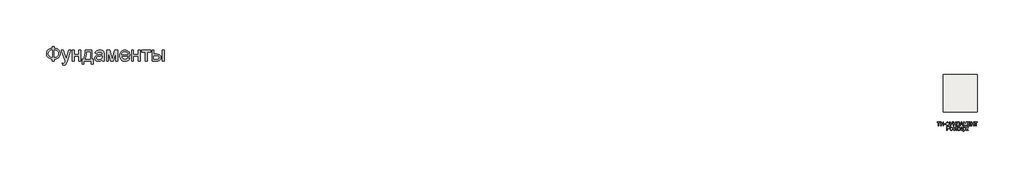
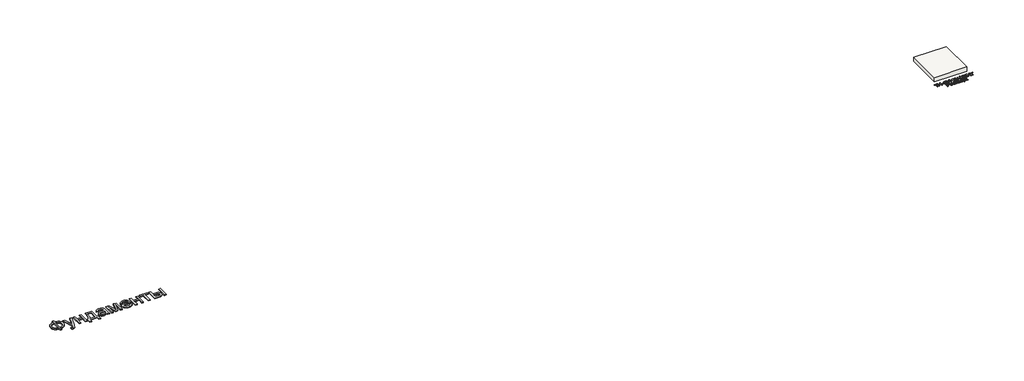
# One storey: 2 proxies, 1 slab.
"""IFC4 building model written with IfcOpenShell, lengths in millimetres."""

from ifc_helpers import new_model, si_unit, frame, origin, origin_with_axes, place, context, project, spatial, polyline, outline, extrude, element, save

model = new_model("IFC4")

# Units and contexts
model_context = context("Model", 3, world=origin())
ifc_project = project(units=[si_unit("LENGTHUNIT", "METRE", prefix="MILLI")], contexts=[model_context])

# Site, building, storey
site = spatial("IfcSite", under=ifc_project)
building = spatial("IfcBuilding", under=site)
storey = spatial("IfcBuildingStorey", under=building, Elevation=0.0)

# Proxies
placement = place(None, origin())
element("IfcBuildingElementProxy", 1, Name="Generic Models", at=placement, inside=storey, context=model_context, shape_type="SweptSolid", body=[
    extrude(outline(polyline([(-1939.8736325, -26885.7211043), (-1939.8736325, -26787.7817103), (-1841.9342386, -26787.7817103), (-1841.9342386, -26885.7211043), (-1772.0723186, -26894.3529698), (-1709.9695132, -26912.2144755), (-1655.6258224, -26939.3056213), (-1609.0412461, -26975.6264073), (-1571.6743546, -27019.0607113), (-1544.9837177, -27067.4924111), (-1528.9693356, -27120.9215067), (-1523.6312083, -27179.3479982), (-1528.8019587, -27236.6028514), (-1544.3142102, -27289.3863505), (-1570.1679625, -27337.6984954), (-1606.3632158, -27381.5392861), (-1628.1416397, -27401.1761824), (-1652.1109076, -27418.4817577), (-1706.6219753, -27446.0989452), (-1769.896419, -27464.3908486), (-1841.9342386, -27473.3574679), (-1841.9342386, -27571.2968619), (-1939.8736325, -27571.2968619), (-1939.8736325, -27473.3574679), (-2005.3060425, -27466.0586398), (-2065.0237272, -27449.518216), (-2119.0266865, -27423.7361966), (-2167.3149204, -27388.7125816), (-2207.0669327, -27345.8939854), (-2222.6837947, -27322.10405), (-2235.4612272, -27296.7270228), (-2245.3992303, -27269.7629041), (-2252.4978039, -27241.2116938), (-2258.1766628, -27179.3479982), (-2252.5157371, -27117.2033486), (-2245.4395801, -27088.5878775), (-2235.5329602, -27061.6103088), (-2222.7958774, -27036.2706426), (-2207.2283318, -27012.5688789), (-2188.8303234, -26990.5050176), (-2167.6018522, -26970.0790588), (-2119.4032845, -26935.3961753), (-2065.382392, -26909.775555), (-2005.5391746, -26893.217198), (-1939.8736325, -26885.7211043)]), holes=[polyline([(-1841.9342386, -26983.6604982), (-1841.9342386, -27375.418074), (-1793.3949393, -27370.2234125), (-1750.3073446, -27359.2303372), (-1712.6714545, -27342.4388481), (-1680.4872689, -27319.8489452), (-1654.7112272, -27291.9627591), (-1636.2997689, -27259.2824206), (-1625.2528939, -27221.8079296), (-1621.5706022, -27179.5392861), (-1625.1871387, -27137.922217), (-1636.036748, -27100.872146), (-1654.1194303, -27068.389073), (-1679.4351855, -27040.4729982), (-1711.2905951, -27017.6977852), (-1748.9922405, -27000.6372975), (-1792.5401216, -26989.2915352), (-1841.9342386, -26983.6604982)]), polyline([(-1939.8736325, -26983.6604982), (-1986.781007, -26988.5861611), (-2028.989873, -26999.3461043), (-2066.5002305, -27015.9403278), (-2099.3120795, -27038.3688316), (-2125.9668498, -27066.2012179), (-2145.0059715, -27099.0070891), (-2156.4294445, -27136.7864452), (-2160.2372689, -27179.5392861), (-2156.4772665, -27221.9035735), (-2145.1972594, -27259.4737085), (-2126.3972476, -27292.2496909), (-2100.077231, -27320.231521), (-2067.5044919, -27342.8692459), (-2029.9463124, -27359.612913), (-1987.4026926, -27370.4625224), (-1939.8736325, -27375.418074), (-1939.8736325, -26983.6604982)])]), origin_with_axes(), (0.0, 0.0, 1.0), 40.0),
    extrude(outline(polyline([(-1401.2069658, -27791.6604982), (-1413.4493901, -27697.355574), (-1386.764731, -27703.8115399), (-1363.7145416, -27705.9635285), (-1337.5559242, -27703.2615872), (-1317.2315871, -27695.1557634), (-1301.4025151, -27682.2199206), (-1288.7296931, -27665.0279225), (-1261.9493901, -27592.9123922), (-1254.2978749, -27569.1926952), (-1462.4190871, -26995.9029225), (-1359.1236325, -26995.9029225), (-1248.7505264, -27315.35368), (-1210.3016628, -27443.1339831), (-1171.8527992, -27330.2741346), (-1058.4190871, -26995.9029225), (-955.888784, -26995.9029225), (-1156.1671931, -27585.0695891), (-1185.9124583, -27663.4019755), (-1208.1974961, -27712.8498922), (-1234.8343333, -27753.6420323), (-1265.0099961, -27781.9048164), (-1300.0634999, -27798.403396), (-1341.3338598, -27803.9029225), (-1369.6922878, -27800.8423164), (-1401.2069658, -27791.6604982)])), origin_with_axes(), (0.0, 0.0, 1.0), 40.0),
    extrude(outline(polyline([(-874.7827234, -26995.9029225), (-776.8433295, -26995.9029225), (-776.8433295, -27216.2665588), (-519.7524204, -27216.2665588), (-519.7524204, -26995.9029225), (-421.8130264, -26995.9029225), (-421.8130264, -27571.2968619), (-519.7524204, -27571.2968619), (-519.7524204, -27314.2059528), (-776.8433295, -27314.2059528), (-776.8433295, -27571.2968619), (-874.7827234, -27571.2968619), (-874.7827234, -26995.9029225)])), origin_with_axes(), (0.0, 0.0, 1.0), 40.0),
    extrude(outline(polyline([(-189.2069658, -26995.9029225), (178.0657614, -26995.9029225), (178.0657614, -27473.3574679), (251.5203069, -27473.3574679), (251.5203069, -27730.448377), (153.5809129, -27730.448377), (153.5809129, -27571.2968619), (-250.4190871, -27571.2968619), (-250.4190871, -27730.448377), (-348.358481, -27730.448377), (-348.358481, -27473.3574679), (-287.1463598, -27473.3574679), (-263.2293972, -27436.3970631), (-242.648017, -27392.9448259), (-225.4022192, -27343.0007563), (-211.4920037, -27286.5648543), (-200.9173707, -27223.6371199), (-193.67832, -27154.2175531), (-189.7748517, -27078.306154), (-189.2069658, -26995.9029225)]), holes=[polyline([(-103.5099961, -27093.8423164), (-111.5440871, -27213.7559054), (-126.4645416, -27316.979627), (-148.2713598, -27403.5134812), (-161.7571552, -27440.521708), (-176.9645416, -27473.3574679), (80.1263675, -27473.3574679), (80.1263675, -27093.8423164), (-103.5099961, -27093.8423164)])]), origin_with_axes(), (0.0, 0.0, 1.0), 40.0),
    extrude(outline(polyline([(728.9748523, -27497.8423164), (682.181055, -27537.964949), (658.2640924, -27552.8256261), (634.0004205, -27564.2192103), (583.3330436, -27578.7092672), (529.079019, -27583.5392861), (485.4713604, -27580.6341014), (447.2317179, -27571.9185475), (414.3600914, -27557.3926242), (386.8564811, -27537.0563316), (365.1393291, -27512.2008628), (349.6270777, -27484.1174111), (340.3197269, -27452.8059764), (337.2172766, -27418.2665588), (341.9038296, -27377.6657066), (355.9634887, -27340.7949679), (377.650752, -27309.2324679), (405.2201175, -27284.5563316), (437.619502, -27265.9057634), (473.796822, -27252.4199679), (558.5373523, -27237.6908013), (658.6765569, -27222.1964831), (728.4009887, -27204.0241346), (728.9748523, -27182.2173164), (727.2891279, -27158.4737085), (722.2319546, -27138.5080361), (713.8033325, -27122.3202994), (702.0032614, -27109.9104982), (681.6071914, -27097.5246081), (656.7636781, -27088.6775437), (627.4727217, -27083.369305), (593.734322, -27081.5998922), (535.391519, -27086.3103562), (512.8195493, -27092.1984362), (494.6472008, -27100.4417482), (479.7147908, -27111.6858888), (466.8626364, -27126.5764547), (456.0907378, -27145.1134457), (447.3990948, -27167.2968619), (349.4597008, -27155.0544376), (366.4604111, -27101.4938316), (378.0990829, -27079.0175058), (391.829966, -27059.4104982), (408.2448571, -27042.2782776), (427.9355531, -27027.2263126), (450.902054, -27014.2546033), (477.1443599, -27003.3631497), (537.3283088, -26988.5861611), (606.359322, -26983.6604982), (672.5688391, -26988.0122975), (725.0534508, -27001.0676952), (764.6261307, -27020.6986138), (792.0998523, -27044.7769755), (810.3200228, -27074.5461516), (822.1320493, -27111.2495134), (825.718697, -27145.1074679), (826.9142463, -27196.9464831), (826.9142463, -27318.7968619), (828.1576175, -27424.9377236), (831.8877311, -27488.94743), (839.2523145, -27531.0068524), (851.3990948, -27571.2968619), (753.4597008, -27571.2968619), (737.7740948, -27537.2476194), (728.9748523, -27497.8423164)]), holes=[polyline([(728.9748523, -27301.9635285), (663.171822, -27318.2708202), (570.9710645, -27331.9957255), (520.1602217, -27339.5037747), (486.7087539, -27347.8726194), (464.7823807, -27358.7282066), (448.546822, -27373.6964831), (438.5042084, -27391.6297217), (435.1566705, -27411.3801952), (436.9798831, -27426.599537), (442.4495209, -27440.5037747), (451.5655839, -27453.0929083), (464.328072, -27464.3669376), (480.6174305, -27473.6563552), (500.3141042, -27480.2916535), (549.9293978, -27485.5998922), (602.5335645, -27479.7417009), (626.5401932, -27472.4189618), (649.016519, -27462.167127), (686.7002311, -27436.2715304), (712.9066705, -27405.450271), (724.5274092, -27373.6964831), (728.4009887, -27329.700271), (728.9748523, -27301.9635285)])]), origin_with_axes(), (0.0, 0.0, 1.0), 40.0),
    extrude(outline(polyline([(961.5809129, -26995.9029225), (1130.1055342, -26995.9029225), (1259.9900039, -27456.5241346), (1400.0127311, -26995.9029225), (1561.4597008, -26995.9029225), (1561.4597008, -27571.2968619), (1463.5203069, -27571.2968619), (1463.5203069, -27107.9976194), (1322.7324281, -27571.2968619), (1194.1869736, -27571.2968619), (1059.5203069, -27085.8082255), (1059.5203069, -27571.2968619), (961.5809129, -27571.2968619), (961.5809129, -26995.9029225)])), origin_with_axes(), (0.0, 0.0, 1.0), 40.0),
    extrude(outline(polyline([(2111.2210645, -27399.9029225), (2207.2475796, -27412.1453467), (2192.5243907, -27450.6061658), (2172.6483845, -27484.4999869), (2147.6195611, -27513.8268098), (2117.4379205, -27538.5866346), (2082.4143055, -27558.2534196), (2042.8595588, -27572.3011232), (1998.7736805, -27580.7297454), (1950.1566705, -27583.5392861), (1889.3869025, -27578.6913339), (1835.2404773, -27564.1474774), (1787.717395, -27539.9077165), (1746.8176554, -27505.9720513), (1713.9280957, -27463.2849656), (1690.4355531, -27412.7909433), (1676.3400275, -27354.4899845), (1671.641519, -27288.3820891), (1676.3878495, -27220.0325389), (1690.626841, -27159.7888126), (1714.3584934, -27107.6509102), (1747.5828069, -27063.6188316), (1788.374947, -27028.6370607), (1834.8100796, -27003.6500816), (1886.8882046, -26988.6578941), (1944.609322, -26983.6604982), (2000.4713604, -26988.6459386), (2050.9892936, -27003.6022596), (2096.1631218, -27028.5294613), (2135.9928448, -27063.4275437), (2168.5058064, -27107.3639783), (2191.7293504, -27159.4062369), (2205.6634769, -27219.5543192), (2210.3081857, -27287.8082255), (2209.734322, -27314.2059528), (1769.5809129, -27314.2059528), (1775.2537941, -27353.2884575), (1786.5338012, -27387.5170323), (1803.4209343, -27416.8916772), (1825.9151932, -27441.4123922), (1852.773207, -27460.7444234), (1882.7516042, -27474.5530172), (1915.850385, -27482.8381734), (1952.0695493, -27485.5998922), (2004.1954963, -27480.4829414), (2048.0960645, -27465.1320891), (2066.9618315, -27453.3798401), (2083.7712539, -27438.590896), (2098.5243315, -27420.7652567), (2111.2210645, -27399.9029225)]), holes=[polyline([(1769.5809129, -27216.2665588), (2112.3687917, -27216.2665588), (2107.3355294, -27188.5537274), (2099.1221061, -27164.5231876), (2087.7285218, -27144.1749395), (2073.1547766, -27127.5089831), (2046.4462065, -27107.4237558), (2016.0553448, -27093.0771649), (1981.9821914, -27084.4692103), (1944.2267463, -27081.5998922), (1909.7889504, -27083.889369), (1878.2085171, -27090.7577994), (1849.4854466, -27102.2051834), (1823.6197387, -27118.231521), (1801.9145422, -27138.0955716), (1785.6730057, -27161.0560948), (1774.8951293, -27187.1130906), (1769.5809129, -27216.2665588)])]), origin_with_axes(), (0.0, 0.0, 1.0), 40.0),
    extrude(outline(polyline([(2308.2475796, -26995.9029225), (2406.1869736, -26995.9029225), (2406.1869736, -27216.2665588), (2663.2778826, -27216.2665588), (2663.2778826, -26995.9029225), (2761.2172766, -26995.9029225), (2761.2172766, -27571.2968619), (2663.2778826, -27571.2968619), (2663.2778826, -27314.2059528), (2406.1869736, -27314.2059528), (2406.1869736, -27571.2968619), (2308.2475796, -27571.2968619), (2308.2475796, -26995.9029225)])), origin_with_axes(), (0.0, 0.0, 1.0), 40.0),
    extrude(outline(polyline([(2859.1566705, -26995.9029225), (3324.3687917, -26995.9029225), (3324.3687917, -27093.8423164), (3140.7324281, -27093.8423164), (3140.7324281, -27571.2968619), (3042.7930342, -27571.2968619), (3042.7930342, -27093.8423164), (2859.1566705, -27093.8423164), (2859.1566705, -26995.9029225)])), origin_with_axes(), (0.0, 0.0, 1.0), 40.0),
    extrude(outline(polyline([(3948.7324281, -26995.9029225), (4046.671822, -26995.9029225), (4046.671822, -27571.2968619), (3948.7324281, -27571.2968619), (3948.7324281, -26995.9029225)])), origin_with_axes(), (0.0, 0.0, 1.0), 40.0),
    extrude(outline(polyline([(3410.0657614, -26995.9029225), (3508.0051554, -26995.9029225), (3508.0051554, -27204.0241346), (3629.0903826, -27204.0241346), (3684.8089551, -27207.0907184), (3733.7487633, -27216.2904698), (3775.9098074, -27231.6233888), (3811.2920872, -27253.0894755), (3839.2858727, -27279.9474892), (3859.2814338, -27311.4561895), (3871.2787704, -27347.6155763), (3875.2778826, -27388.4256497), (3871.924367, -27424.8361019), (3861.8638201, -27458.5087463), (3845.096242, -27489.443583), (3821.6216326, -27517.6406119), (3790.7824399, -27541.1152212), (3751.9211118, -27557.8827994), (3705.0376483, -27567.9433462), (3650.1320493, -27571.2968619), (3410.0657614, -27571.2968619), (3410.0657614, -26995.9029225)]), holes=[polyline([(3508.0051554, -27473.3574679), (3608.6225796, -27473.3574679), (3686.6202122, -27468.2166062), (3715.8274802, -27461.790529), (3738.5070493, -27452.794021), (3755.495804, -27441.0716606), (3767.6306289, -27426.4680266), (3774.9115237, -27408.983119), (3777.3384887, -27388.6169376), (3775.5391871, -27372.1542245), (3770.1412823, -27356.6240399), (3761.1447742, -27342.0263836), (3748.5496629, -27328.3612558), (3729.8094286, -27316.8122501), (3702.3775512, -27308.5629603), (3666.2540308, -27303.6133865), (3621.4388675, -27301.9635285), (3508.0051554, -27301.9635285), (3508.0051554, -27473.3574679)])]), origin_with_axes(), (0.0, 0.0, 1.0), 40.0),
])
element("IfcBuildingElementProxy", 2, Name="Generic Models", at=placement, inside=storey, context=model_context, shape_type="SweptSolid", body=[
    extrude(outline(polyline([(45610.9854324, -31054.563168), (45610.9854324, -30882.2554756), (45546.3700478, -30882.2554756), (45546.3700478, -30857.640091), (45700.2162017, -30857.640091), (45700.2162017, -30882.2554756), (45635.6008171, -30882.2554756), (45635.6008171, -31054.563168), (45610.9854324, -31054.563168)])), origin_with_axes(), (0.0, 0.0, 1.0), 20.0),
    extrude(outline(polyline([(45727.9085094, -31054.563168), (45727.9085094, -30857.640091), (45752.523894, -30857.640091), (45752.523894, -30937.640091), (45857.1392786, -30937.640091), (45857.1392786, -30857.640091), (45881.7546632, -30857.640091), (45881.7546632, -31054.563168), (45857.1392786, -31054.563168), (45857.1392786, -30962.2554756), (45752.523894, -30962.2554756), (45752.523894, -31054.563168), (45727.9085094, -31054.563168)])), origin_with_axes(), (0.0, 0.0, 1.0), 20.0),
    extrude(outline(polyline([(45909.4469709, -30996.1016295), (45909.4469709, -30971.4862449), (45986.3700478, -30971.4862449), (45986.3700478, -30996.1016295), (45909.4469709, -30996.1016295)])), origin_with_axes(), (0.0, 0.0, 1.0), 20.0),
    extrude(outline(polyline([(46087.9085094, -30882.2554756), (46087.9085094, -30857.640091), (46112.523894, -30857.640091), (46112.523894, -30882.2554756), (46145.6909613, -30888.9141295), (46171.0575478, -30904.8516295), (46187.1573074, -30927.9405718), (46192.523894, -30956.0535526), (46187.3255767, -30983.7098026), (46171.7306248, -31006.8708603), (46146.5323074, -31023.0968218), (46112.523894, -31029.9477833), (46112.523894, -31054.563168), (46087.9085094, -31054.563168), (46087.9085094, -31029.9477833), (46056.4541824, -31023.9561968), (46030.7450478, -31008.6737449), (46020.7540623, -30997.9120261), (46013.617644, -30985.5547545), (46007.9085094, -30956.0535526), (46013.5996151, -30926.4622064), (46020.7134973, -30914.1364853), (46030.6729324, -30903.4573987), (46056.3640382, -30888.3011487), (46087.9085094, -30882.2554756)]), holes=[polyline([(46087.9085094, -30906.8708603), (46065.5106728, -30910.813168), (46047.836394, -30920.6208603), (46036.352019, -30935.8612449), (46032.523894, -30956.1016295), (46036.3039421, -30976.1917737), (46047.6440863, -30991.4622064), (46065.2702882, -31001.360043), (46087.9085094, -31005.3323987), (46087.9085094, -30906.8708603)]), polyline([(46112.523894, -30906.8708603), (46112.523894, -31005.3323987), (46135.5527401, -31001.2638891), (46153.1008171, -30991.3660526), (46164.2065863, -30976.1436968), (46167.9085094, -30956.1016295), (46164.2726921, -30936.3299949), (46153.3652401, -30921.1497064), (46135.883269, -30911.1376872), (46112.523894, -30906.8708603)])]), origin_with_axes(), (0.0, 0.0, 1.0), 20.0),
    extrude(outline(polyline([(46212.523894, -30857.640091), (46239.7835094, -30857.640091), (46298.6777401, -30974.2747064), (46351.6585094, -30857.640091), (46378.6777401, -30857.640091), (46303.9181248, -31011.0535526), (46283.5815863, -31048.7458603), (46273.930144, -31055.4165333), (46260.8412017, -31057.640091), (46238.6777401, -31054.563168), (46238.6777401, -31033.0247064), (46258.0527401, -31033.0247064), (46272.4277401, -31027.5439372), (46285.7450478, -31002.5920141), (46212.523894, -30857.640091)])), origin_with_axes(), (0.0, 0.0, 1.0), 20.0),
    extrude(outline(polyline([(46401.7546632, -31054.563168), (46401.7546632, -30857.640091), (46426.3700478, -30857.640091), (46426.3700478, -30937.640091), (46530.9854324, -30937.640091), (46530.9854324, -30857.640091), (46555.6008171, -30857.640091), (46555.6008171, -31054.563168), (46530.9854324, -31054.563168), (46530.9854324, -30962.2554756), (46426.3700478, -30962.2554756), (46426.3700478, -31054.563168), (46401.7546632, -31054.563168)])), origin_with_axes(), (0.0, 0.0, 1.0), 20.0),
    extrude(outline(polyline([(46617.1392786, -30857.640091), (46734.0623555, -30857.640091), (46734.0623555, -31029.9477833), (46752.523894, -31029.9477833), (46752.523894, -31100.7170141), (46727.9085094, -31100.7170141), (46727.9085094, -31054.563168), (46601.7546632, -31054.563168), (46601.7546632, -31100.7170141), (46577.1392786, -31100.7170141), (46577.1392786, -31029.9477833), (46592.523894, -31029.9477833), (46603.2931248, -31007.6190574), (46610.9854324, -30976.2098026), (46615.6008171, -30935.7200189), (46617.1392786, -30886.1497064), (46617.1392786, -30857.640091)]), holes=[polyline([(46709.4469709, -30882.2554756), (46641.7546632, -30882.2554756), (46641.7546632, -30892.1593218), (46636.7546632, -30959.6112449), (46629.3508171, -30998.5896103), (46617.1392786, -31029.9477833), (46709.4469709, -31029.9477833), (46709.4469709, -30882.2554756)])]), origin_with_axes(), (0.0, 0.0, 1.0), 20.0),
    extrude(outline(polyline([(46760.3604324, -31054.563168), (46838.9662017, -30857.640091), (46859.9277401, -30857.640091), (46938.5335094, -31054.563168), (46912.523894, -31054.563168), (46889.9758171, -30993.0247064), (46808.8700478, -30993.0247064), (46786.3700478, -31054.563168), (46760.3604324, -31054.563168)]), holes=[polyline([(46817.9085094, -30968.4093218), (46880.9854324, -30968.4093218), (46863.2450478, -30919.9958603), (46849.4469709, -30882.2554756), (46837.1873555, -30915.765091), (46817.9085094, -30968.4093218)])]), origin_with_axes(), (0.0, 0.0, 1.0), 20.0),
    extrude(outline(polyline([(46964.8315863, -31054.563168), (46964.8315863, -30857.640091), (47007.1873555, -30857.640091), (47047.4758171, -30996.438168), (47055.6008171, -31025.4285526), (47064.398894, -30994.0343218), (47104.0142786, -30857.640091), (47146.3700478, -30857.640091), (47146.3700478, -31054.563168), (47121.7546632, -31054.563168), (47121.7546632, -30882.2554756), (47072.2835094, -31054.563168), (47038.9181248, -31054.563168), (46989.4469709, -30882.2554756), (46989.4469709, -31054.563168), (46964.8315863, -31054.563168)])), origin_with_axes(), (0.0, 0.0, 1.0), 20.0),
    extrude(outline(polyline([(47189.4469709, -31054.563168), (47189.4469709, -30857.640091), (47330.9854324, -30857.640091), (47330.9854324, -30882.2554756), (47214.0623555, -30882.2554756), (47214.0623555, -30940.7170141), (47324.8315863, -30940.7170141), (47324.8315863, -30965.3323987), (47214.0623555, -30965.3323987), (47214.0623555, -31029.9477833), (47334.0623555, -31029.9477833), (47334.0623555, -31054.563168), (47189.4469709, -31054.563168)])), origin_with_axes(), (0.0, 0.0, 1.0), 20.0),
    extrude(outline(polyline([(47370.9854324, -31054.563168), (47370.9854324, -30857.640091), (47395.6008171, -30857.640091), (47395.6008171, -30937.640091), (47500.2162017, -30937.640091), (47500.2162017, -30857.640091), (47524.8315863, -30857.640091), (47524.8315863, -31054.563168), (47500.2162017, -31054.563168), (47500.2162017, -30962.2554756), (47395.6008171, -30962.2554756), (47395.6008171, -31054.563168), (47370.9854324, -31054.563168)])), origin_with_axes(), (0.0, 0.0, 1.0), 20.0),
    extrude(outline(polyline([(47617.1392786, -31054.563168), (47617.1392786, -30882.2554756), (47552.523894, -30882.2554756), (47552.523894, -30857.640091), (47706.3700478, -30857.640091), (47706.3700478, -30882.2554756), (47641.7546632, -30882.2554756), (47641.7546632, -31054.563168), (47617.1392786, -31054.563168)])), origin_with_axes(), (0.0, 0.0, 1.0), 20.0),
    extrude(outline(polyline([(46066.3700478, -31297.640091), (46066.3700478, -31100.7170141), (46139.3508171, -31100.7170141), (46168.773894, -31102.5920141), (46192.6921632, -31111.7987449), (46201.3880767, -31119.9598026), (46208.1969709, -31130.8372064), (46214.0623555, -31157.688168), (46210.102019, -31180.8973026), (46198.2210094, -31200.2362449), (46188.7062858, -31207.8504276), (46176.0034613, -31213.2891295), (46141.0335094, -31217.640091), (46090.9854324, -31217.640091), (46090.9854324, -31297.640091), (46066.3700478, -31297.640091)]), holes=[polyline([(46090.9854324, -31193.0247064), (46142.4758171, -31193.0247064), (46164.3027401, -31190.765091), (46178.7258171, -31183.9862449), (46186.7666824, -31173.108841), (46189.4469709, -31158.5535526), (46187.8664421, -31147.4958603), (46183.1248555, -31138.1689372), (46175.8111536, -31131.1497064), (46166.5142786, -31127.015091), (46141.898894, -31125.3323987), (46090.9854324, -31125.3323987), (46090.9854324, -31193.0247064)])]), origin_with_axes(), (0.0, 0.0, 1.0), 20.0),
    extrude(outline(polyline([(46238.6777401, -31225.3323987), (46244.0022594, -31190.4646103), (46250.6579084, -31176.9159324), (46259.9758171, -31165.9573987), (46279.711394, -31153.9501872), (46303.3412017, -31149.9477833), (46329.2005767, -31154.8215814), (46349.8556248, -31169.4429756), (46363.3952882, -31192.6581199), (46367.9085094, -31223.313168), (46365.9133171, -31248.1809564), (46359.9277401, -31267.1112449), (46350.1260574, -31281.2879276), (46336.6825478, -31291.8948987), (46320.7149998, -31298.5114853), (46303.3412017, -31300.7170141), (46277.1693267, -31295.8612449), (46256.5383171, -31281.2939372), (46243.1428844, -31257.5920141), (46238.6777401, -31225.3323987)]), holes=[polyline([(46263.2931248, -31225.2843218), (46266.1416824, -31247.561966), (46274.6873555, -31263.4333603), (46287.5479324, -31272.9345622), (46303.3412017, -31276.1016295), (46319.0623555, -31272.9165333), (46331.898894, -31263.3612449), (46340.4445671, -31247.2795141), (46343.2931248, -31224.515091), (46340.4265382, -31202.8864853), (46331.8267786, -31187.2314372), (46318.9722113, -31177.7302353), (46303.3412017, -31174.563168), (46287.5479324, -31177.718216), (46274.6873555, -31187.1833603), (46266.1416824, -31203.0186968), (46263.2931248, -31225.2843218)])]), origin_with_axes(), (0.0, 0.0, 1.0), 20.0),
    extrude(outline(polyline([(46487.9085094, -31245.3323987), (46512.523894, -31248.4093218), (46505.6609132, -31270.3023506), (46492.7642786, -31286.8468218), (46475.0479324, -31297.249466), (46453.7258171, -31300.7170141), (46427.5419228, -31295.8792737), (46407.0671632, -31281.3660526), (46393.852019, -31257.8143699), (46389.4469709, -31225.8612449), (46391.3279805, -31203.9561968), (46396.9710094, -31184.9718218), (46406.4662017, -31169.641293), (46419.9037017, -31158.6977833), (46435.9794228, -31152.1352833), (46453.3892786, -31149.9477833), (46474.1885574, -31152.952591), (46490.8171632, -31161.9670141), (46502.7462498, -31176.5102833), (46509.4469709, -31196.1016295), (46484.8315863, -31199.1785526), (46480.3664421, -31188.4393699), (46473.4133171, -31180.7410526), (46464.3568267, -31176.1076391), (46453.5815863, -31174.563168), (46437.6741344, -31177.6040333), (46425.0479324, -31186.7266295), (46416.8087498, -31202.4237449), (46414.0623555, -31225.188168), (46416.7486536, -31248.2590814), (46424.8075478, -31264.0102833), (46437.2053844, -31273.078793), (46452.9085094, -31276.1016295), (46465.6549036, -31274.2146103), (46476.1056248, -31268.5535526), (46483.7077882, -31258.9742256), (46487.9085094, -31245.3323987)])), origin_with_axes(), (0.0, 0.0, 1.0), 20.0),
    extrude(outline(polyline([(46521.7546632, -31153.0247064), (46638.6777401, -31153.0247064), (46638.6777401, -31177.640091), (46592.523894, -31177.640091), (46592.523894, -31297.640091), (46567.9085094, -31297.640091), (46567.9085094, -31177.640091), (46521.7546632, -31177.640091), (46521.7546632, -31153.0247064)])), origin_with_axes(), (0.0, 0.0, 1.0), 20.0),
    extrude(outline(polyline([(46660.2162017, -31153.0247064), (46714.4469709, -31153.0247064), (46744.1825478, -31156.3179756), (46760.9133171, -31168.3852833), (46766.1597113, -31178.030716), (46767.9085094, -31189.4189372), (46763.6777401, -31206.5102833), (46750.9373555, -31218.6977833), (46760.0479324, -31223.811966), (46767.4758171, -31232.0391295), (46772.4157209, -31242.7302353), (46774.0623555, -31255.2362449), (46769.8916824, -31273.9982641), (46759.9758171, -31287.2073987), (46744.2787017, -31295.031918), (46722.7642786, -31297.640091), (46660.2162017, -31297.640091), (46660.2162017, -31153.0247064)]), holes=[polyline([(46684.8315863, -31208.4093218), (46709.1585094, -31208.4093218), (46729.2306248, -31207.1593218), (46738.9902401, -31202.1593218), (46743.2931248, -31193.1208603), (46741.4061055, -31185.7771103), (46735.7450478, -31181.0535526), (46709.9277401, -31177.640091), (46684.8315863, -31177.640091), (46684.8315863, -31208.4093218)]), polyline([(46684.8315863, -31273.0247064), (46715.023894, -31273.0247064), (46731.4782209, -31271.9129276), (46741.8027401, -31268.577591), (46747.3436055, -31262.5138891), (46749.4469709, -31253.2170141), (46745.2402401, -31241.3660526), (46734.2787017, -31234.4670141), (46712.6200478, -31233.0247064), (46684.8315863, -31233.0247064), (46684.8315863, -31273.0247064)])]), origin_with_axes(), (0.0, 0.0, 1.0), 20.0),
    extrude(outline(polyline([(46906.0815863, -31254.563168), (46930.2162017, -31257.640091), (46921.5202882, -31275.8251872), (46907.6440863, -31289.4189372), (46888.9000959, -31297.8924949), (46865.6008171, -31300.7170141), (46836.7186055, -31295.843216), (46814.4950478, -31281.2218218), (46800.3243748, -31257.8023506), (46795.6008171, -31226.5343218), (46800.3724517, -31194.2146103), (46814.6873555, -31170.0439372), (46836.6104324, -31154.9718218), (46864.2065863, -31149.9477833), (46890.9433651, -31154.9598026), (46912.3075478, -31169.9958603), (46926.3159613, -31194.1184564), (46930.9854324, -31226.390091), (46930.8412017, -31233.0247064), (46820.2162017, -31233.0247064), (46824.477019, -31251.4501872), (46834.3748555, -31264.9958603), (46848.6597113, -31273.3251872), (46866.0815863, -31276.1016295), (46890.2162017, -31270.9573987), (46899.1825478, -31264.2867256), (46906.0815863, -31254.563168)]), holes=[polyline([(46820.2162017, -31208.4093218), (46906.3700478, -31208.4093218), (46903.0407209, -31195.4045141), (46896.5142786, -31186.1016295), (46882.1633171, -31177.4477833), (46864.1104324, -31174.563168), (46847.5178844, -31176.8648506), (46833.7979324, -31183.7698987), (46824.2606728, -31194.5331199), (46820.2162017, -31208.4093218)])]), origin_with_axes(), (0.0, 0.0, 1.0), 20.0),
    extrude(outline(polyline([(46955.6008171, -31353.0247064), (46955.6008171, -31153.0247064), (46980.2162017, -31153.0247064), (46980.2162017, -31177.1593218), (46997.2354324, -31156.750668), (47007.7162017, -31151.6485045), (47020.2162017, -31149.9477833), (47036.8628363, -31152.327591), (47051.4181248, -31159.4670141), (47063.2690863, -31170.9333603), (47071.8027401, -31186.2939372), (47076.9589901, -31204.4309564), (47078.6777401, -31224.2266295), (47076.7366344, -31245.2783122), (47070.9133171, -31264.1064372), (47061.3940863, -31279.7554756), (47048.3652401, -31291.2698987), (47033.1909613, -31298.3552353), (47017.2354324, -31300.7170141), (47005.9193267, -31299.1364853), (46995.8171632, -31294.3948987), (46980.2162017, -31278.4093218), (46980.2162017, -31353.0247064), (46955.6008171, -31353.0247064)]), holes=[polyline([(46980.2162017, -31226.4862449), (46982.8784613, -31248.5535526), (46990.8652401, -31263.9862449), (47002.6500959, -31273.0727833), (47016.7065863, -31276.1016295), (47030.9914421, -31272.9646103), (47043.0767786, -31263.5535526), (47051.3159613, -31247.5559564), (47054.0623555, -31224.6593218), (47051.3820671, -31202.7122064), (47043.3412017, -31187.063168), (47031.5743748, -31177.688168), (47017.7162017, -31174.563168), (47003.8039421, -31177.8864853), (46991.586394, -31187.8564372), (46983.0587498, -31204.1605237), (46980.2162017, -31226.4862449)])]), origin_with_axes(), (0.0, 0.0, 1.0), 20.0),
    extrude(outline(polyline([(47106.3700478, -31153.0247064), (47130.9854324, -31153.0247064), (47130.9854324, -31214.563168), (47147.4758171, -31210.140091), (47160.9854324, -31184.3708603), (47172.211394, -31162.1352833), (47182.1152401, -31154.8997064), (47200.1200478, -31153.0247064), (47204.8315863, -31153.0247064), (47204.8315863, -31177.7843218), (47198.1969709, -31177.640091), (47186.1777401, -31180.2362449), (47177.7162017, -31196.438168), (47167.7883171, -31213.9622064), (47153.8700478, -31222.5439372), (47169.398894, -31232.1232641), (47184.6392786, -31252.3035526), (47210.9854324, -31297.640091), (47183.0046632, -31297.640091), (47157.1873555, -31253.265091), (47144.2065863, -31234.4910526), (47130.9854324, -31229.9477833), (47130.9854324, -31297.640091), (47106.3700478, -31297.640091), (47106.3700478, -31153.0247064)])), origin_with_axes(), (0.0, 0.0, 1.0), 20.0),
])

# Slab
element("IfcSlab", 3, at=placement, inside=storey, context=model_context, shape_type="SweptSolid", body=[
    extrude(outline(polyline([(45881.3955952, -28302.6148653), (47706.3955952, -28302.6148653), (47706.3955952, -30302.6148653), (45881.3955952, -30302.6148653), (45881.3955952, -28302.6148653)])), frame((0.0, 0.0, -252.0), z_axis=(0.0, 0.0, 1.0), x_axis=(1.0, 0.0, 0.0)), (0.0, 0.0, 1.0), 252.0),
])

save(model, "model.ifc")
